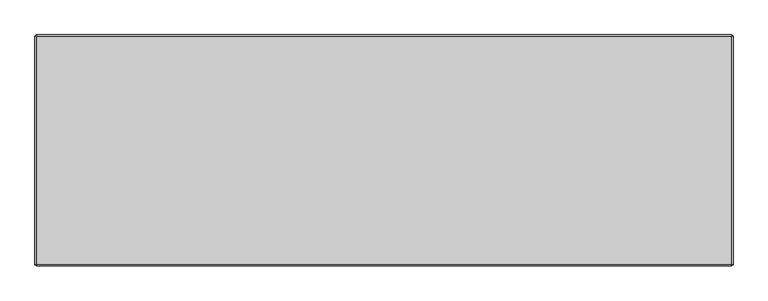
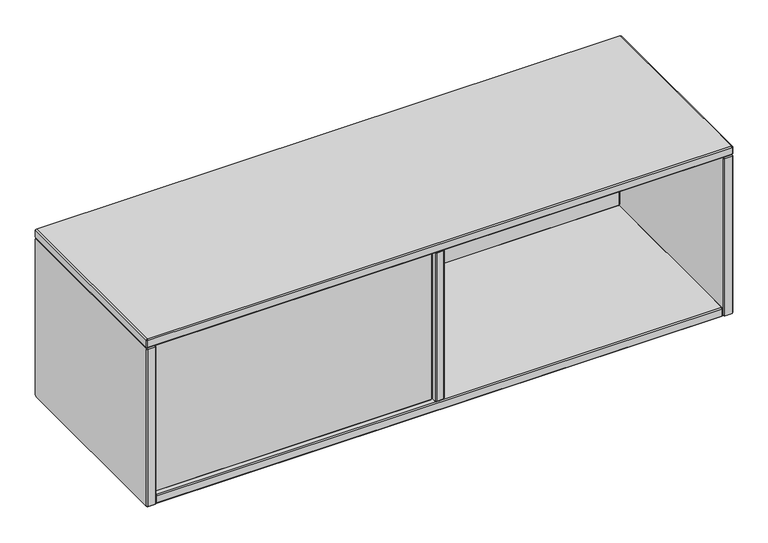
"""IFC4 building model written with IfcOpenShell, lengths in millimetres: furniture geometry."""

from ifc_helpers import new_model, si_unit, origin, place, context, project, spatial, faceted_brep, source, transform, mapped, element, save


def furniture_2ddd44d9(model_context):
    return source(origin(), model_context, "Body", "Brep", [
        faceted_brep([(22.564297, -209.0126135, 1077.0826604), (21.7169989, -209.0126135, 1077.9299584), (21.7169986, -209.0126135, 1402.686119), (22.5630082, -209.0126135, 1403.5321292), (598.8467091, -209.0126135, 1403.5321295), (599.6939981, -209.0126135, 1402.684841), (599.6939984, -209.0126135, 1077.9312381), (598.8454211, -209.0126135, 1077.0826604), (21.7169989, -228.3166132, 1077.9299584), (22.564297, -228.3166132, 1077.0826604), (598.8454203, -228.3166132, 1077.08266), (599.6939981, -228.3166132, 1077.9312373), (599.6939984, -228.3166132, 1402.6848402), (598.8467099, -228.3166132, 1403.5321292), (22.5630091, -228.3166132, 1403.5321295), (21.7169989, -228.3166132, 1402.6861198), (19.684994, -211.044618, 1077.0882749), (21.7226135, -211.044618, 1075.0506555), (21.7226135, -226.2846087, 1075.0506555), (19.684994, -226.2846087, 1077.0882749), (599.6871047, -211.044618, 1075.0506555), (599.6871047, -226.2846087, 1075.0506555), (601.726003, -211.044618, 1077.0895538), (601.726003, -226.2846087, 1077.0895538), (601.726003, -211.044618, 1403.5265245), (601.726003, -226.2846087, 1403.5265245), (599.6883934, -211.044618, 1405.5641341), (599.6883934, -226.2846087, 1405.5641341), (21.7213247, -211.044618, 1405.5641341), (21.7213247, -226.2846087, 1405.5641341), (19.684994, -211.044618, 1403.5278034), (19.684994, -226.2846087, 1403.5278034)], [[[0, 1, 2, 3, 4, 5, 6, 7]], [[8, 9, 10, 11, 12, 13, 14, 15]], [[16, 1, 0, 17]], [[16, 17, 18, 19]], [[19, 18, 9, 8]], [[17, 0, 7, 20]], [[18, 17, 20, 21]], [[9, 18, 21, 10]], [[20, 7, 6, 22]], [[21, 20, 22, 23]], [[10, 21, 23, 11]], [[22, 6, 5, 24]], [[23, 22, 24, 25]], [[11, 23, 25, 12]], [[24, 5, 4, 26]], [[25, 24, 26, 27]], [[12, 25, 27, 13]], [[26, 4, 3, 28]], [[27, 26, 28, 29]], [[13, 27, 29, 14]], [[28, 3, 2, 30]], [[29, 28, 30, 31]], [[14, 29, 31, 15]], [[1, 16, 30, 2]], [[16, 19, 31, 30]], [[19, 8, 15, 31]]]),
        faceted_brep([(621.029997, 148.8452595, 1077.0882749), (623.0620027, 150.8772652, 1077.9299592), (623.9093008, 150.8772652, 1077.0826612), (623.0676165, 148.8452595, 1075.0506555), (623.0676165, 133.6052689, 1075.0506555), (621.029997, 133.6052689, 1077.0882749), (623.9093008, 131.5732632, 1077.0826612), (623.0620011, 131.5732654, 1077.9299576), (1196.6344233, 150.8772652, 1077.0826612), (1197.4761077, 148.8452595, 1075.0506555), (1197.4761077, 133.6052689, 1075.0506555), (1196.6344233, 131.5732632, 1077.0826612), (1197.4830003, 150.8772652, 1077.9312381), (1199.515006, 148.8452595, 1077.0895538), (1199.515006, 133.6052689, 1077.0895538), (1197.4830003, 131.5732632, 1077.9312381), (1197.4830003, 150.8772652, 1402.6848402), (1199.515006, 148.8452595, 1403.5265245), (1199.515006, 133.6052689, 1403.5265245), (1197.4830003, 131.5732632, 1402.6848402), (1196.6357121, 150.8772652, 1403.5321284), (1197.4773964, 148.8452595, 1405.5641341), (1197.4773964, 133.6052689, 1405.5641341), (1196.6357121, 131.5732632, 1403.5321284), (623.908012, 150.8772652, 1403.5321284), (623.0663277, 148.8452595, 1405.5641341), (623.0663277, 133.6052689, 1405.5641341), (623.908012, 131.5732632, 1403.5321284), (623.0620027, 150.8772652, 1402.686119), (621.029997, 148.8452595, 1403.5278034), (621.029997, 133.6052689, 1403.5278034), (623.0620027, 131.5732632, 1402.686119)], [[[0, 1, 2, 3]], [[0, 3, 4, 5]], [[5, 4, 6, 7]], [[3, 2, 8, 9]], [[4, 3, 9, 10]], [[6, 4, 10, 11]], [[9, 8, 12, 13]], [[10, 9, 13, 14]], [[11, 10, 14, 15]], [[13, 12, 16, 17]], [[14, 13, 17, 18]], [[15, 14, 18, 19]], [[17, 16, 20, 21]], [[18, 17, 21, 22]], [[19, 18, 22, 23]], [[21, 20, 24, 25]], [[22, 21, 25, 26]], [[23, 22, 26, 27]], [[25, 24, 28, 29]], [[26, 25, 29, 30]], [[27, 26, 30, 31]], [[1, 0, 29, 28]], [[0, 5, 30, 29]], [[5, 7, 31, 30]], [[2, 1, 28, 24, 20, 16, 12, 8]], [[7, 6, 11, 15, 19, 23, 27, 31]]]),
        faceted_brep([(0.381, 160.1899826, 1403.5321289), (0.381, 161.0359948, 1402.6861167), (0.381, 161.0359948, 1060.6585981), (0.381, 158.1641576, 1057.7805146), (0.381, -237.6617899, 1057.7773915), (0.381, -238.507861, 1058.6234626), (0.381, -238.5047378, 1402.6861258), (0.381, -237.6587347, 1403.5321289), (19.6849994, 161.035991, 1402.6861129), (19.6849994, 160.1899788, 1403.5321251), (19.6849994, -237.6587347, 1403.5321235), (19.6849994, -238.504734, 1402.686122), (19.6849994, -238.5047325, 1058.6265857), (19.6849994, -237.6649092, 1057.7805184), (19.6849994, 158.1610344, 1057.7773968), (19.6849994, 161.0391141, 1060.6554788), (2.4130052, 163.068, 1403.5278008), (2.4130052, 161.0316667, 1405.5641341), (17.6529888, 161.0316667, 1405.5641341), (17.6529888, 163.068, 1403.5278008), (2.4130052, -238.5004189, 1405.5641341), (17.6529888, -238.5004189, 1405.5641341), (2.4130052, -240.5367431, 1403.5278099), (17.6529888, -240.5367431, 1403.5278099), (2.4130052, -240.5367431, 1057.7786553), (17.6529888, -240.5367431, 1057.7786553), (2.4130052, -238.503474, 1055.7453862), (17.6529888, -238.503474, 1055.7453862), (2.4130052, 159.0027185, 1055.7453862), (17.6529888, 159.0027185, 1055.7453862), (2.4130052, 163.068, 1059.8106677), (17.6529888, 163.068, 1059.8106677)], [[[0, 1, 2, 3, 4, 5, 6, 7]], [[8, 9, 10, 11, 12, 13, 14, 15]], [[16, 1, 0, 17]], [[16, 17, 18, 19]], [[19, 18, 9, 8]], [[17, 0, 7, 20]], [[18, 17, 20, 21]], [[9, 18, 21, 10]], [[20, 7, 6, 22]], [[21, 20, 22, 23]], [[10, 21, 23, 11]], [[22, 6, 5, 24]], [[23, 22, 24, 25]], [[11, 23, 25, 12]], [[24, 5, 4, 26]], [[25, 24, 26, 27]], [[12, 25, 27, 13]], [[26, 4, 3, 28]], [[27, 26, 28, 29]], [[13, 27, 29, 14]], [[28, 3, 2, 30]], [[29, 28, 30, 31]], [[14, 29, 31, 15]], [[1, 16, 30, 2]], [[16, 19, 31, 30]], [[19, 8, 15, 31]]]),
        faceted_brep([(621.0300073, 159.0039823, 1402.6861094), (621.0300073, 158.1579701, 1403.5321216), (621.0300073, -235.5967084, 1403.5321186), (621.0300073, -236.4427043, 1402.6854873), (621.0300073, -236.4420701, 1077.9256086), (621.0300073, -235.5994407, 1077.0829835), (621.0300073, 156.1290292, 1077.0826709), (621.0300073, 159.0039823, 1079.9576283), (601.7253716, 158.157531, 1403.5316824), (601.7253716, 159.0035431, 1402.6856703), (601.7253716, 159.0033582, 1079.957621), (601.7253716, 156.1285828, 1077.0831071), (601.7253716, -235.5991324, 1077.083292), (601.7253716, -236.4413183, 1077.9257395), (601.7253716, -236.441449, 1402.6861258), (601.7253716, -235.5959464, 1403.5313668), (603.7580082, 161.0359948, 1403.5278008), (603.7580082, 158.9996615, 1405.5641341), (618.9979918, 158.9996615, 1405.5641341), (618.9979918, 161.0359948, 1403.5278008), (603.7580082, -236.4377614, 1405.5641341), (618.9979918, -236.4377614, 1405.5641341), (603.7580082, -238.4740856, 1403.5278099), (618.9979918, -238.4740856, 1403.5278099), (603.7580082, -238.4740856, 1077.0839245), (618.9979918, -238.4740856, 1077.0839245), (603.7580082, -236.4408165, 1075.0506555), (618.9979918, -236.4408165, 1075.0506555), (603.7580082, 156.9707133, 1075.0506555), (618.9979918, 156.9707133, 1075.0506555), (603.7580082, 161.0359948, 1079.1159369), (618.9979918, 161.0359948, 1079.1159369)], [[[0, 1, 2, 3, 4, 5, 6, 7]], [[8, 9, 10, 11, 12, 13, 14, 15]], [[16, 9, 8, 17]], [[16, 17, 18, 19]], [[19, 18, 1, 0]], [[17, 8, 15, 20]], [[18, 17, 20, 21]], [[1, 18, 21, 2]], [[20, 15, 14, 22]], [[21, 20, 22, 23]], [[2, 21, 23, 3]], [[22, 14, 13, 24]], [[23, 22, 24, 25]], [[3, 23, 25, 4]], [[24, 13, 12, 26]], [[25, 24, 26, 27]], [[4, 25, 27, 5]], [[26, 12, 11, 28]], [[27, 26, 28, 29]], [[5, 27, 29, 6]], [[28, 11, 10, 30]], [[29, 28, 30, 31]], [[6, 29, 31, 7]], [[9, 16, 30, 10]], [[16, 19, 31, 30]], [[19, 0, 7, 31]]]),
        faceted_brep([(1216.7869948, 163.0679927, 1403.5277978), (1201.5470112, 163.0679927, 1403.5277978), (1201.5470112, 161.0316637, 1405.5641268), (1216.7869948, 161.0316637, 1405.5641268), (1201.5470112, -238.5004158, 1405.5641268), (1216.7869948, -238.5004158, 1405.5641268), (1201.5470112, -240.5367358, 1403.5278069), (1216.7869948, -240.5367358, 1403.5278069), (1201.5470112, -240.5367358, 1057.7730446), (1216.7869948, -240.5367358, 1057.7730446), (1201.5470112, -238.503471, 1055.7397798), (1216.7869948, -238.503471, 1055.7397798), (1201.5470112, 159.0027155, 1055.7397798), (1216.7869948, 159.0027155, 1055.7397798), (1201.5470112, 163.0679927, 1059.805057), (1216.7869948, 163.0679927, 1059.805057), (1218.819, 160.1899796, 1403.5321216), (1218.819, 161.0359875, 1402.6861137), (1199.515006, 161.0359875, 1402.6861137), (1199.5150097, 160.1899822, 1403.5321242), (1218.819, -237.6587317, 1403.5321216), (1199.5150097, -237.6587317, 1403.5321253), (1218.819, -238.5047305, 1402.6861227), (1199.5150097, -238.5047332, 1402.6861254), (1218.819, -238.5047305, 1058.6147287), (1199.5150097, -238.5047343, 1058.6147287), (1218.819, -237.6617868, 1057.771785), (1199.5150097, -237.6617895, 1057.7717824), (1218.819, 158.1610314, 1057.771785), (1199.5150097, 158.1610314, 1057.7717813), (1218.819, 161.0359875, 1060.6467411), (1199.5150097, 161.0359901, 1060.6467385)], [[[0, 1, 2, 3]], [[3, 2, 4, 5]], [[5, 4, 6, 7]], [[7, 6, 8, 9]], [[9, 8, 10, 11]], [[11, 10, 12, 13]], [[13, 12, 14, 15]], [[1, 0, 15, 14]], [[0, 3, 16, 17]], [[2, 1, 18, 19]], [[3, 5, 20, 16]], [[4, 2, 19, 21]], [[5, 7, 22, 20]], [[6, 4, 21, 23]], [[7, 9, 24, 22]], [[8, 6, 23, 25]], [[9, 11, 26, 24]], [[10, 8, 25, 27]], [[11, 13, 28, 26]], [[12, 10, 27, 29]], [[13, 15, 30, 28]], [[14, 12, 29, 31]], [[15, 0, 17, 30]], [[1, 14, 31, 18]], [[19, 18, 31, 29, 27, 25, 23, 21]], [[17, 16, 20, 22, 24, 26, 28, 30]]]),
        faceted_brep([(2.4142691, 160.1937872, 1405.5641341), (0.381, 161.0359948, 1407.5974031), (2.4130052, 163.068, 1407.5974031), (3.2552128, 161.0347309, 1405.5641341), (0.381, 161.0359948, 1422.8305205), (2.4142691, 160.1937872, 1424.8637895), (3.2552128, 161.0347309, 1424.8637895), (2.4130052, 163.068, 1422.8305205), (1216.7869875, 163.068, 1407.5974031), (1215.9447799, 161.0347309, 1405.5641341), (1215.9447799, 161.0347309, 1424.8637895), (1216.7869875, 163.068, 1422.8305205), (1218.819, 161.0359875, 1407.5974031), (1216.7857309, 160.1937799, 1405.5641341), (1216.7857309, 160.1937799, 1424.8637895), (1218.819, 161.0359875, 1422.8305205), (1218.819, -238.5047363, 1407.5974031), (1216.7857309, -237.6625286, 1405.5641341), (1216.7857309, -237.6625286, 1424.8637895), (1218.819, -238.5047363, 1422.8305205), (1216.7869932, -240.5367431, 1407.5974031), (1215.9447856, -238.503474, 1405.5641341), (1215.9447856, -238.503474, 1424.8637895), (1216.7869932, -240.5367431, 1422.8305205), (2.413, -240.5367431, 1407.5974031), (3.2552076, -238.503474, 1405.5641341), (3.2552076, -238.503474, 1424.8637895), (2.413, -240.5367431, 1422.8305205), (0.381, -238.5047431, 1407.5974031), (2.4142691, -237.6625355, 1405.5641341), (2.4142691, -237.6625355, 1424.8637895), (0.381, -238.5047431, 1422.8305205)], [[[0, 1, 2, 3]], [[4, 5, 6, 7]], [[2, 1, 4, 7]], [[3, 2, 8, 9]], [[7, 6, 10, 11]], [[2, 7, 11, 8]], [[9, 8, 12, 13]], [[11, 10, 14, 15]], [[8, 11, 15, 12]], [[13, 12, 16, 17]], [[15, 14, 18, 19]], [[12, 15, 19, 16]], [[17, 16, 20, 21]], [[19, 18, 22, 23]], [[16, 19, 23, 20]], [[21, 20, 24, 25]], [[23, 22, 26, 27]], [[20, 23, 27, 24]], [[25, 24, 28, 29]], [[27, 26, 30, 31]], [[24, 27, 31, 28]], [[1, 0, 29, 28]], [[5, 4, 31, 30]], [[4, 1, 28, 31]], [[6, 5, 30, 26, 22, 18, 14, 10]], [[0, 3, 9, 13, 17, 21, 25, 29]]]),
        faceted_brep([(21.7182631, 160.1937872, 1055.751), (19.684994, 161.0359948, 1057.7842691), (21.7169992, 163.068, 1057.7842691), (22.5592069, 161.0347309, 1055.751), (19.684994, 161.0359948, 1073.0173864), (21.7182631, 160.1937872, 1075.0506555), (22.5631764, 161.0307614, 1075.0562692), (21.7169992, 163.068, 1073.0173864), (1197.4829972, 163.068, 1057.7842691), (1196.6407896, 161.0347309, 1055.751), (1196.6407896, 161.0291172, 1075.0562692), (1197.4829972, 163.068, 1073.0173864), (1199.5150097, 161.0359875, 1057.7842691), (1197.4817406, 160.1937799, 1055.751), (1197.4777711, 160.1898103, 1075.0562692), (1199.5150097, 161.0359875, 1073.0173864), (1199.5150097, -236.4420788, 1057.7842691), (1197.4817406, -235.5998711, 1055.751), (1197.4761269, -235.5998711, 1075.0562692), (1199.5150097, -236.4420788, 1073.0173864), (1197.4830029, -238.4740856, 1057.7842691), (1196.6407953, -236.4408165, 1055.751), (1196.6368258, -236.436847, 1075.0562692), (1197.4830029, -238.4740856, 1073.0173864), (21.716994, -238.4740856, 1057.7842691), (22.5592016, -236.4408165, 1055.751), (22.5592016, -236.4352027, 1075.0562692), (21.716994, -238.4740856, 1073.0173864), (19.684994, -236.4420856, 1057.7842691), (21.7182631, -235.599878, 1055.751), (21.7222326, -235.5959084, 1075.0562692), (19.684994, -236.4420856, 1073.0173864)], [[[0, 1, 2, 3]], [[4, 5, 6, 7]], [[2, 1, 4, 7]], [[3, 2, 8, 9]], [[7, 6, 10, 11]], [[2, 7, 11, 8]], [[9, 8, 12, 13]], [[11, 10, 14, 15]], [[8, 11, 15, 12]], [[13, 12, 16, 17]], [[15, 14, 18, 19]], [[12, 15, 19, 16]], [[17, 16, 20, 21]], [[19, 18, 22, 23]], [[16, 19, 23, 20]], [[21, 20, 24, 25]], [[23, 22, 26, 27]], [[20, 23, 27, 24]], [[25, 24, 28, 29]], [[27, 26, 30, 31]], [[24, 27, 31, 28]], [[1, 0, 29, 28]], [[5, 4, 31, 30]], [[4, 1, 28, 31]], [[6, 5, 30, 26, 22, 18, 14, 10]], [[0, 3, 9, 13, 17, 21, 25, 29]]]),
    ])


if __name__ == "__main__":
    model = new_model("IFC4")
    model_context = context("Model", 3, world=origin())
    ifc_project = project(units=[si_unit("LENGTHUNIT", "METRE", prefix="MILLI")], contexts=[model_context])
    site = spatial("IfcSite", under=ifc_project)
    building = spatial("IfcBuilding", under=site)
    placement = place(None, origin())
    furniture_shape = furniture_2ddd44d9(model_context)
    element("IfcFurniture", 1, at=placement, inside=building, context=model_context, shape_type="MappedRepresentation", body=[
        mapped(furniture_shape, transform((0.0, 0.0, 0.0), x_axis=(1.0, 0.0, 0.0), y_axis=(0.0, 1.0, 0.0), z_axis=(0.0, 0.0, 1.0))),
    ])
    save(model, "model.ifc")
